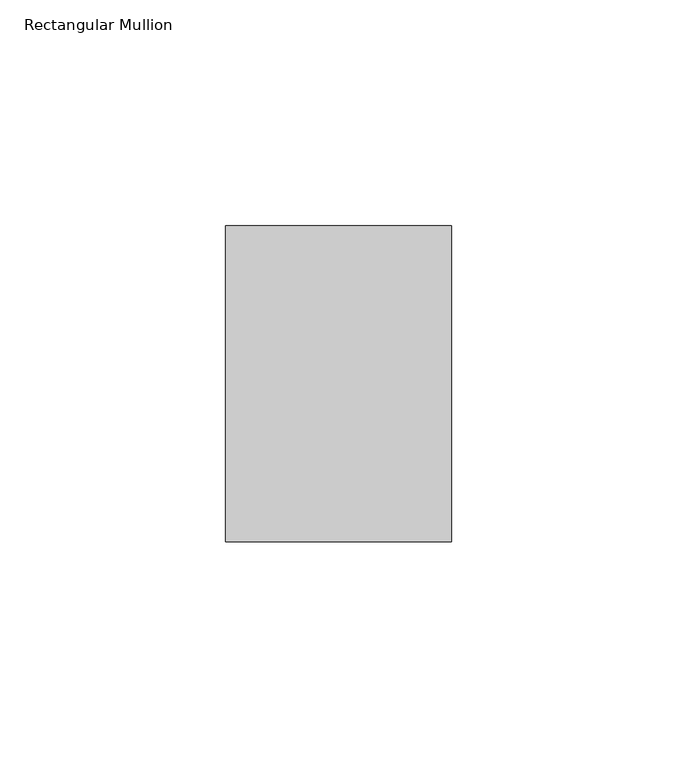
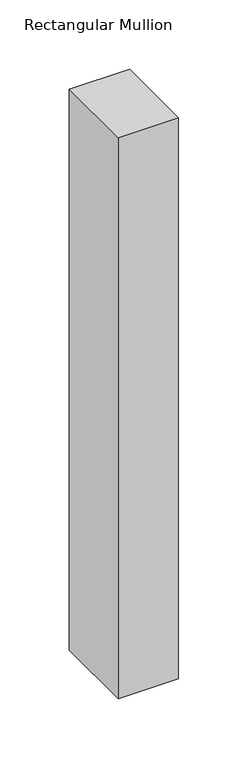
"""IFC4 building model written with IfcOpenShell, lengths in millimetres: member geometry, Rectangular Mullion."""

from ifc_helpers import new_model, si_unit, frame, origin, place, context, project, spatial, polyline, outline, extrude, source, transform, mapped, element, save


def rectangular_mullion_095c30ea(model_context):
    return source(origin(), model_context, "Body", "SweptSolid", [
        extrude(outline(polyline([(0.0, 35.0), (0.0, -35.0), (-50.0, -35.0), (-50.0, 35.0), (0.0, 35.0)])), frame((0.0, 0.0, -493.0080059), z_axis=(0.0, 0.0, 1.0), x_axis=(1.0, 0.0, 0.0)), (0.0, 0.0, 1.0), 493.0080059),
    ])


if __name__ == "__main__":
    model = new_model("IFC4")
    model_context = context("Model", 3, world=origin())
    ifc_project = project(units=[si_unit("LENGTHUNIT", "METRE", prefix="MILLI")], contexts=[model_context])
    site = spatial("IfcSite", under=ifc_project)
    building = spatial("IfcBuilding", under=site)
    placement = place(None, origin())
    rectangular_mullion_shape = rectangular_mullion_095c30ea(model_context)
    element("IfcMember", 1, ObjectType="Rectangular Mullion", at=placement, inside=building, context=model_context, shape_type="MappedRepresentation", body=[
        mapped(rectangular_mullion_shape, transform((0.0, 0.0, 0.0), x_axis=(1.0, 0.0, 0.0), y_axis=(0.0, 1.0, 0.0), z_axis=(0.0, 0.0, 1.0))),
    ])
    save(model, "model.ifc")
